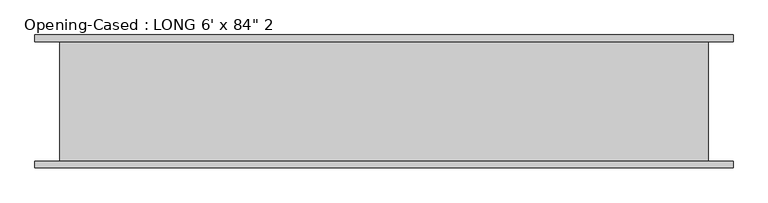
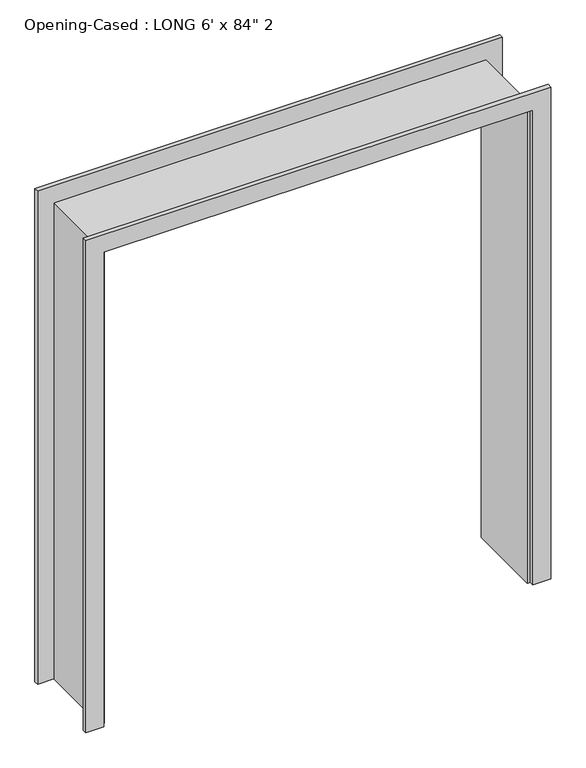
"""IFC4 building model written with IfcOpenShell, lengths in millimetres: proxy geometry."""

from ifc_helpers import new_model, si_unit, frame, origin, place, context, project, spatial, polyline, outline, extrude, faceted_brep, source, transform, mapped, element, save


def proxy_5f74013d(model_context):
    return source(origin(), model_context, "Body", "SolidModel", [
        extrude(outline(polyline([(0.0, -916.2386567), (2127.25, -916.2386567), (2127.25, 899.8613433), (0.0, 899.8613433), (0.0, 976.0613433), (2203.45, 976.0613433), (2203.45, -992.4386567), (0.0, -992.4386567), (0.0, -916.2386567)])), frame((0.0, -187.325, 0.0), z_axis=(0.0, 1.0, 0.0), x_axis=(0.0, 0.0, 1.0)), (0.0, 0.0, 1.0), 19.05),
        extrude(outline(polyline([(0.0, 976.0613433), (2209.8, 976.0613433), (2209.8, -992.4386567), (0.0, -992.4386567), (0.0, -916.2386567), (2127.25, -916.2386567), (2127.25, 899.8613433), (0.0, 899.8613433), (0.0, 976.0613433)])), frame((0.0, 168.275, 0.0), z_axis=(0.0, 1.0, 0.0), x_axis=(0.0, 0.0, 1.0)), (0.0, 0.0, 1.0), 19.05),
        faceted_brep([(887.1613433, 168.275, 0.0), (906.2113433, 168.275, 0.0), (906.2113433, -168.275, 0.0), (887.1613433, -168.275, 0.0), (887.1613433, 168.275, 2114.55), (906.2113433, 168.275, 2133.6), (906.2113433, -168.275, 2133.6), (887.1613433, -168.275, 2114.55), (-903.5386567, 168.275, 2114.55), (-922.5886567, 168.275, 2133.6), (-922.5886567, -168.275, 2133.6), (-903.5386567, -168.275, 2114.55), (-903.5386567, 168.275, 0.0), (-903.5386567, -168.275, 0.0), (-922.5886567, -168.275, 0.0), (-922.5886567, 168.275, 0.0)], [[[0, 1, 2, 3]], [[1, 0, 4, 5]], [[2, 1, 5, 6]], [[3, 2, 6, 7]], [[0, 3, 7, 4]], [[5, 4, 8, 9]], [[6, 5, 9, 10]], [[7, 6, 10, 11]], [[4, 7, 11, 8]], [[12, 13, 14, 15]], [[9, 8, 12, 15]], [[10, 9, 15, 14]], [[11, 10, 14, 13]], [[8, 11, 13, 12]]]),
    ])


if __name__ == "__main__":
    model = new_model("IFC4")
    model_context = context("Model", 3, world=origin())
    ifc_project = project(units=[si_unit("LENGTHUNIT", "METRE", prefix="MILLI")], contexts=[model_context])
    site = spatial("IfcSite", under=ifc_project)
    building = spatial("IfcBuilding", under=site)
    placement = place(None, origin())
    proxy_shape = proxy_5f74013d(model_context)
    element("IfcBuildingElementProxy", 1, Name="Opening-Cased : LONG 6' x 84\" 2", ObjectType="Opening-Cased : LONG 6' x 84\" 2", at=placement, inside=building, context=model_context, shape_type="MappedRepresentation", body=[
        mapped(proxy_shape, transform((0.0, 0.0, 0.0), x_axis=(1.0, 0.0, 0.0), y_axis=(0.0, 1.0, 0.0), z_axis=(0.0, 0.0, 1.0))),
    ])
    save(model, "model.ifc")
